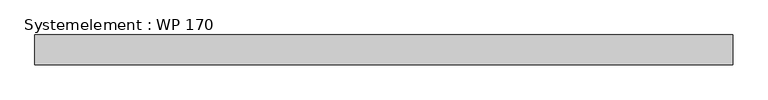
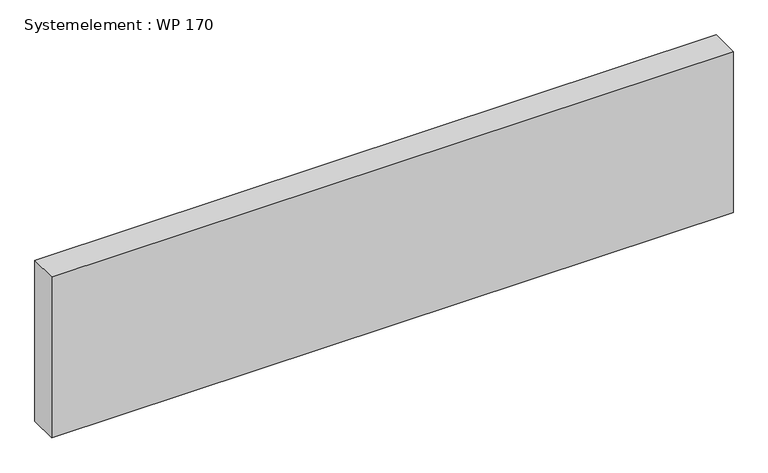
"""IFC4 building model written with IfcOpenShell, lengths in millimetres: plate geometry, Systemelement : WP 170."""

from ifc_helpers import new_model, si_unit, origin, origin_with_axes, place, context, project, spatial, polyline, outline, extrude, source, transform, mapped, element, save


def systemelement_wp_170_2299a103(model_context):
    return source(origin(), model_context, "Body", "SweptSolid", [
        extrude(outline(polyline([(2000.0, -170.0), (-2000.0, -170.0), (-2000.0, 0.0), (2000.0, 0.0), (2000.0, -170.0)])), origin_with_axes(), (0.0, 0.0, 1.0), 1000.0),
    ])


if __name__ == "__main__":
    model = new_model("IFC4")
    model_context = context("Model", 3, world=origin())
    ifc_project = project(units=[si_unit("LENGTHUNIT", "METRE", prefix="MILLI")], contexts=[model_context])
    site = spatial("IfcSite", under=ifc_project)
    building = spatial("IfcBuilding", under=site)
    placement = place(None, origin())
    systemelement_wp_170_shape = systemelement_wp_170_2299a103(model_context)
    element("IfcPlate", 1, ObjectType="Systemelement : WP 170", at=placement, inside=building, context=model_context, shape_type="MappedRepresentation", body=[
        mapped(systemelement_wp_170_shape, transform((0.0, 0.0, 0.0), x_axis=(1.0, 0.0, 0.0), y_axis=(0.0, 1.0, 0.0), z_axis=(0.0, 0.0, 1.0))),
    ])
    save(model, "model.ifc")
